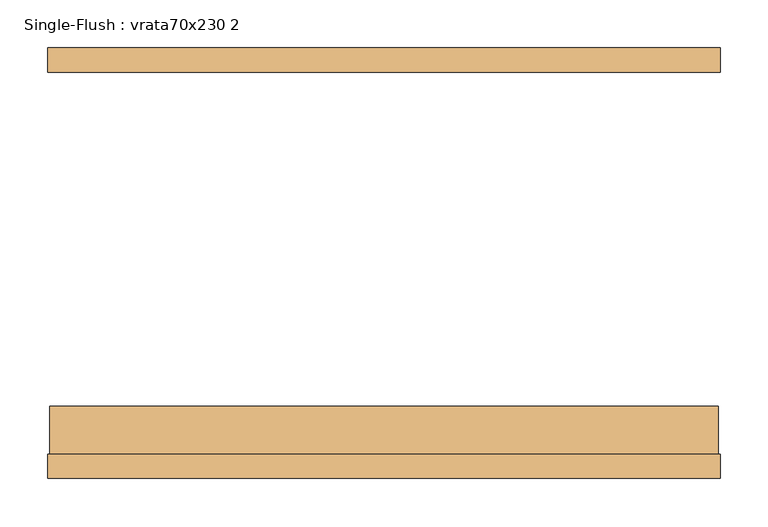
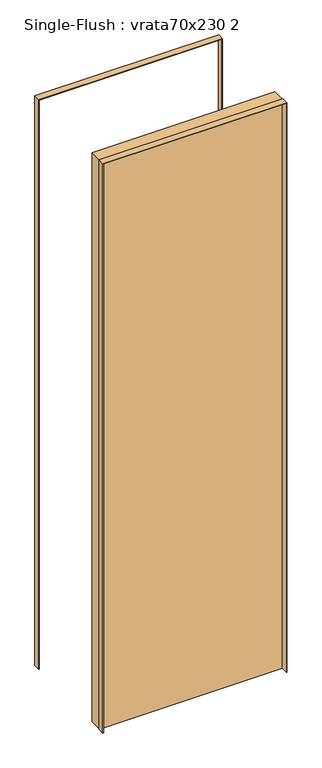
"""IFC4 building model written with IfcOpenShell, lengths in millimetres: door geometry, Single-Flush : vrata70x230 2."""

import ifcopenshell
import ifcopenshell.guid

model = None  # the IFC model being written
_history = None  # IfcOwnerHistory: only IFC2X3 demands one
_inside = {}  # id of a spatial element -> (the spatial element, [elements in it])
_under = {}  # id of a project, library or spatial element -> (it, [spatial elements below it])
_declared = {}  # id of a project -> (the project, [libraries it declares])
_typed = {}  # id of a type object -> (the type object, [elements of that type])
_made_of = {}  # id of a material, layer set ... -> (it, [elements and type objects made of it])


def new_model(schema):
    """Start an empty IFC model of exactly this schema.

    Asked for "IFC4X3", IfcOpenShell would pick the latest addendum, in which some entities
    have other attributes; the version numbers below select the first issue.
    IFC2X3 requires an IfcOwnerHistory on every rooted entity: one is made here for all.
    """
    global model, _history
    if schema == "IFC4X3":
        model = ifcopenshell.file(schema_version=(4, 3, 0, 0))
    else:
        model = ifcopenshell.file(schema=schema)
    _inside.clear()
    _under.clear()
    _declared.clear()
    _typed.clear()
    _made_of.clear()
    _history = None
    if model.schema == "IFC2X3":
        org = make("IfcOrganization", Name="unknown")
        user = make(
            "IfcPersonAndOrganization",
            ThePerson=make("IfcPerson", FamilyName="unknown"),
            TheOrganization=org,
        )
        app = make(
            "IfcApplication",
            ApplicationDeveloper=org,
            Version="unknown",
            ApplicationFullName="unknown",
            ApplicationIdentifier="unknown",
        )
        _history = make(
            "IfcOwnerHistory",
            OwningUser=user,
            OwningApplication=app,
            ChangeAction="ADDED",
            CreationDate=0,
        )
    return model


def make(cls, **values):
    """One entity of the class cls with the attributes given. An attribute that is None is left unset."""
    return model.create_entity(
        cls, **{name: value for name, value in values.items() if value is not None}
    )


def rooted(cls, **values):
    """An entity with a GlobalId (a new one), such as an element, a storey or a relation."""
    return make(cls, GlobalId=ifcopenshell.guid.new(), OwnerHistory=_history, **values)


def si_unit(unit_type, name, prefix=None):
    """IfcSIUnit, for example si_unit("LENGTHUNIT", "METRE", prefix="MILLI")."""
    return make("IfcSIUnit", UnitType=unit_type, Prefix=prefix, Name=name)


def assignment(units):
    """IfcUnitAssignment: the units of a project."""
    return None if units is None else make("IfcUnitAssignment", Units=units)


def point(xyz):
    """IfcCartesianPoint."""
    return None if xyz is None else make("IfcCartesianPoint", Coordinates=xyz)


def direction(xyz):
    """IfcDirection."""
    return None if xyz is None else make("IfcDirection", DirectionRatios=xyz)


def frame(location, z_axis=None, x_axis=None):
    """IfcAxis2Placement3D, a coordinate frame: its origin and axes. An axis left out is left unset."""
    return make(
        "IfcAxis2Placement3D",
        Location=point(location),
        Axis=direction(z_axis),
        RefDirection=direction(x_axis),
    )


def origin():
    """The frame at (0, 0, 0) with its axes left unset."""
    return frame((0.0, 0.0, 0.0))


def origin_with_axes():
    """The frame at (0, 0, 0) with the z axis (0, 0, 1) and the x axis (1, 0, 0) written out."""
    return frame((0.0, 0.0, 0.0), z_axis=(0.0, 0.0, 1.0), x_axis=(1.0, 0.0, 0.0))


def place(relative_to, where):
    """IfcLocalPlacement: puts the frame where relative to a parent placement (None: the world)."""
    return make(
        "IfcLocalPlacement", PlacementRelTo=relative_to, RelativePlacement=where
    )


def context(
    kind, dimensions, precision=None, world=None, true_north=None, identifier=None
):
    """IfcGeometricRepresentationContext, for example the 3D "Model" context."""
    return make(
        "IfcGeometricRepresentationContext",
        ContextIdentifier=identifier,
        ContextType=kind,
        CoordinateSpaceDimension=dimensions,
        Precision=precision,
        WorldCoordinateSystem=world,
        TrueNorth=true_north,
    )


def project(units=None, contexts=None):
    """IfcProject with its units and contexts."""
    return rooted(
        "IfcProject",
        Name="project",
        RepresentationContexts=contexts,
        UnitsInContext=assignment(units),
    )


def spatial(cls, under=None, at=None, **own):
    """A site, building, storey or space (cls), placed at a placement, below another one or the project."""
    s = rooted(cls, ObjectPlacement=at, **own)
    if under is not None:
        _under.setdefault(under.id(), (under, []))[1].append(s)
    return s


def polyline(points):
    """IfcPolyline through the points."""
    return make("IfcPolyline", Points=[point(p) for p in points])


def outline(outer, holes=None, kind="AREA"):
    """IfcArbitraryClosedProfileDef: a profile drawn as a closed curve; with holes, ...WithVoids."""
    if holes is None:
        return make("IfcArbitraryClosedProfileDef", ProfileType=kind, OuterCurve=outer)
    return make(
        "IfcArbitraryProfileDefWithVoids",
        ProfileType=kind,
        OuterCurve=outer,
        InnerCurves=holes,
    )


def extrude(swept, where, along, depth):
    """IfcExtrudedAreaSolid: the profile swept, set in the frame where, extruded along a direction by depth."""
    return make(
        "IfcExtrudedAreaSolid",
        SweptArea=swept,
        Position=where,
        ExtrudedDirection=direction(along),
        Depth=depth,
    )


def shape(context_of_items, identifier, shape_type, items):
    """IfcShapeRepresentation: the items that make up one representation, for example the "Body"."""
    return make(
        "IfcShapeRepresentation",
        ContextOfItems=context_of_items,
        RepresentationIdentifier=identifier,
        RepresentationType=shape_type,
        Items=items,
    )


def source(mapping_origin, context_of_items, identifier, shape_type, items):
    """IfcRepresentationMap: a shape defined once, which mapped items show again and again."""
    return make(
        "IfcRepresentationMap",
        MappingOrigin=mapping_origin,
        MappedRepresentation=shape(context_of_items, identifier, shape_type, items),
    )


def transform(
    local_origin,
    x_axis=None,
    y_axis=None,
    z_axis=None,
    scale=None,
    scale2=None,
    scale3=None,
    uniform=True,
):
    """IfcCartesianTransformationOperator3D, or its non-uniform kind. x_axis, y_axis, z_axis: its Axis1, 2, 3."""
    if uniform:
        return make(
            "IfcCartesianTransformationOperator3D",
            Axis1=direction(x_axis),
            Axis2=direction(y_axis),
            LocalOrigin=point(local_origin),
            Scale=scale,
            Axis3=direction(z_axis),
        )
    return make(
        "IfcCartesianTransformationOperator3DnonUniform",
        Axis1=direction(x_axis),
        Axis2=direction(y_axis),
        LocalOrigin=point(local_origin),
        Scale=scale,
        Axis3=direction(z_axis),
        Scale2=scale2,
        Scale3=scale3,
    )


def mapped(mapping_source, mapping_target):
    """IfcMappedItem: shows the shape of a source again, moved by a transform."""
    return make(
        "IfcMappedItem", MappingSource=mapping_source, MappingTarget=mapping_target
    )


def made_of(thing, what):
    """Note that an element or type object is made of a material, layer set ...; save() writes the relation."""
    if what is not None:
        _made_of.setdefault(what.id(), (what, []))[1].append(thing)
    return thing


def element(
    cls,
    number,
    at=None,
    inside=None,
    cuts=None,
    type_object=None,
    material=None,
    context=None,
    identifier="Body",
    shape_type=None,
    held_by="IfcProductDefinitionShape",
    body=None,
    shapes=None,
    **own,
):
    """One element of the class cls, such as IfcWall. Its Tag is "e" and its number.

    at: its placement. inside: the storey or other place that contains it. cuts: it is an
    opening in that element (IfcRelVoidsElement). A single representation is given by context,
    identifier, shape_type and body (its items); several are given by shapes. held_by: the class
    of the entity that holds the representations. save() writes the other relations.
    """
    e = rooted(cls, Tag="e%d" % number, ObjectPlacement=at, **own)
    if body is not None:
        shapes = [shape(context, identifier, shape_type, body)]
    if shapes is not None:
        e.Representation = make(held_by, Representations=shapes)
    if inside is not None:
        _inside.setdefault(inside.id(), (inside, []))[1].append(e)
    if cuts is not None:
        rooted(
            "IfcRelVoidsElement", RelatingBuildingElement=cuts, RelatedOpeningElement=e
        )
    if type_object is not None:
        _typed.setdefault(type_object.id(), (type_object, []))[1].append(e)
    return made_of(e, material)


def aggregate(whole, parts):
    """IfcRelAggregates: a whole, such as a stair, and the parts it consists of."""
    return rooted("IfcRelAggregates", RelatingObject=whole, RelatedObjects=parts)


def save(model, path):
    """Write the relations noted so far, then the file.

    IfcRelAggregates (storeys below a building ...), IfcRelContainedInSpatialStructure (elements
    in a storey), IfcRelDefinesByType, IfcRelAssociatesMaterial and IfcRelDeclares: one each for
    every whole, place, type object, material and project.
    """
    for whole, parts in _under.values():
        aggregate(whole, parts)
    for where, things in _inside.values():
        rooted(
            "IfcRelContainedInSpatialStructure",
            RelatedElements=things,
            RelatingStructure=where,
        )
    for kind, things in _typed.values():
        rooted("IfcRelDefinesByType", RelatedObjects=things, RelatingType=kind)
    for what, things in _made_of.values():
        rooted("IfcRelAssociatesMaterial", RelatedObjects=things, RelatingMaterial=what)
    for by, libraries in _declared.values():
        rooted("IfcRelDeclares", RelatingContext=by, RelatedDefinitions=libraries)
    model.write(path)


def single_flush_vrata70x230_2_d637e374(model_context):
    return source(origin(), model_context, "Body", "SweptSolid", [
        extrude(outline(polyline([(2302.0, -352.0), (0.0, -352.0), (0.0, -350.0), (2300.0, -350.0), (2300.0, 350.0), (0.0, 350.0), (0.0, 352.0), (2302.0, 352.0), (2302.0, -352.0)])), frame((0.0, -225.4, 0.0), z_axis=(0.0, 1.0, 0.0), x_axis=(0.0, 0.0, 1.0)), (0.0, 0.0, 1.0), 25.4),
        extrude(outline(polyline([(2302.0, 352.0), (2302.0, -352.0), (0.0, -352.0), (0.0, -350.0), (2300.0, -350.0), (2300.0, 350.0), (0.0, 350.0), (0.0, 352.0), (2302.0, 352.0)])), frame((0.0, 200.0, 0.0), z_axis=(0.0, 1.0, 0.0), x_axis=(0.0, 0.0, 1.0)), (0.0, 0.0, 1.0), 25.4),
        extrude(outline(polyline([(350.0, -150.0), (350.0, -200.0), (-350.0, -200.0), (-350.0, -150.0), (350.0, -150.0)])), origin_with_axes(), (0.0, 0.0, 1.0), 2300.0),
    ])


if __name__ == "__main__":
    model = new_model("IFC4")
    model_context = context("Model", 3, world=origin())
    ifc_project = project(units=[si_unit("LENGTHUNIT", "METRE", prefix="MILLI")], contexts=[model_context])
    site = spatial("IfcSite", under=ifc_project)
    building = spatial("IfcBuilding", under=site)
    placement = place(None, origin())
    single_flush_vrata70x230_2_shape = single_flush_vrata70x230_2_d637e374(model_context)
    element("IfcDoor", 1, ObjectType="Single-Flush : vrata70x230 2", at=placement, inside=building, context=model_context, shape_type="MappedRepresentation", body=[
        mapped(single_flush_vrata70x230_2_shape, transform((0.0, 0.0, 0.0), x_axis=(1.0, 0.0, 0.0), y_axis=(0.0, 1.0, 0.0), z_axis=(0.0, 0.0, 1.0))),
    ])
    save(model, "model.ifc")
